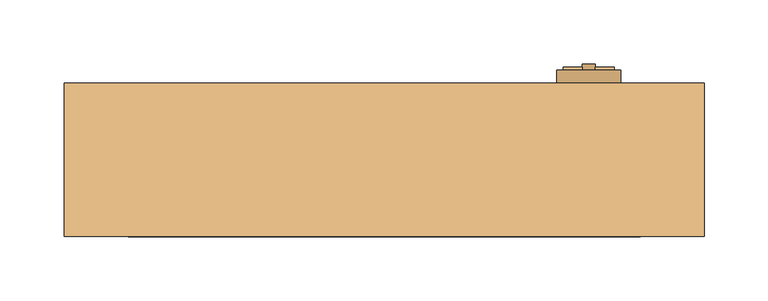
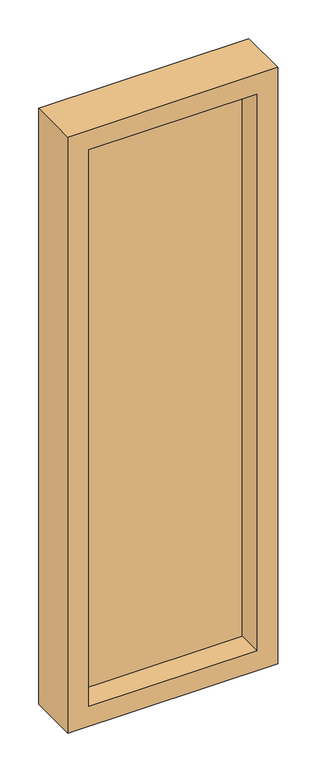
"""IFC4 building model written with IfcOpenShell, lengths in millimetres: door geometry."""

import ifcopenshell
import ifcopenshell.guid

model = None  # the IFC model being written
_history = None  # IfcOwnerHistory: only IFC2X3 demands one
_inside = {}  # id of a spatial element -> (the spatial element, [elements in it])
_under = {}  # id of a project, library or spatial element -> (it, [spatial elements below it])
_declared = {}  # id of a project -> (the project, [libraries it declares])
_typed = {}  # id of a type object -> (the type object, [elements of that type])
_made_of = {}  # id of a material, layer set ... -> (it, [elements and type objects made of it])


def new_model(schema):
    """Start an empty IFC model of exactly this schema.

    Asked for "IFC4X3", IfcOpenShell would pick the latest addendum, in which some entities
    have other attributes; the version numbers below select the first issue.
    IFC2X3 requires an IfcOwnerHistory on every rooted entity: one is made here for all.
    """
    global model, _history
    if schema == "IFC4X3":
        model = ifcopenshell.file(schema_version=(4, 3, 0, 0))
    else:
        model = ifcopenshell.file(schema=schema)
    _inside.clear()
    _under.clear()
    _declared.clear()
    _typed.clear()
    _made_of.clear()
    _history = None
    if model.schema == "IFC2X3":
        org = make("IfcOrganization", Name="unknown")
        user = make(
            "IfcPersonAndOrganization",
            ThePerson=make("IfcPerson", FamilyName="unknown"),
            TheOrganization=org,
        )
        app = make(
            "IfcApplication",
            ApplicationDeveloper=org,
            Version="unknown",
            ApplicationFullName="unknown",
            ApplicationIdentifier="unknown",
        )
        _history = make(
            "IfcOwnerHistory",
            OwningUser=user,
            OwningApplication=app,
            ChangeAction="ADDED",
            CreationDate=0,
        )
    return model


def make(cls, **values):
    """One entity of the class cls with the attributes given. An attribute that is None is left unset."""
    return model.create_entity(
        cls, **{name: value for name, value in values.items() if value is not None}
    )


def rooted(cls, **values):
    """An entity with a GlobalId (a new one), such as an element, a storey or a relation."""
    return make(cls, GlobalId=ifcopenshell.guid.new(), OwnerHistory=_history, **values)


def si_unit(unit_type, name, prefix=None):
    """IfcSIUnit, for example si_unit("LENGTHUNIT", "METRE", prefix="MILLI")."""
    return make("IfcSIUnit", UnitType=unit_type, Prefix=prefix, Name=name)


def assignment(units):
    """IfcUnitAssignment: the units of a project."""
    return None if units is None else make("IfcUnitAssignment", Units=units)


def point(xyz):
    """IfcCartesianPoint."""
    return None if xyz is None else make("IfcCartesianPoint", Coordinates=xyz)


def direction(xyz):
    """IfcDirection."""
    return None if xyz is None else make("IfcDirection", DirectionRatios=xyz)


def frame(location, z_axis=None, x_axis=None):
    """IfcAxis2Placement3D, a coordinate frame: its origin and axes. An axis left out is left unset."""
    return make(
        "IfcAxis2Placement3D",
        Location=point(location),
        Axis=direction(z_axis),
        RefDirection=direction(x_axis),
    )


def frame_2d(location, x_axis=None):
    """IfcAxis2Placement2D, a coordinate frame in the plane: its origin and x axis."""
    return make(
        "IfcAxis2Placement2D", Location=point(location), RefDirection=direction(x_axis)
    )


def origin():
    """The frame at (0, 0, 0) with its axes left unset."""
    return frame((0.0, 0.0, 0.0))


def place(relative_to, where):
    """IfcLocalPlacement: puts the frame where relative to a parent placement (None: the world)."""
    return make(
        "IfcLocalPlacement", PlacementRelTo=relative_to, RelativePlacement=where
    )


def context(
    kind, dimensions, precision=None, world=None, true_north=None, identifier=None
):
    """IfcGeometricRepresentationContext, for example the 3D "Model" context."""
    return make(
        "IfcGeometricRepresentationContext",
        ContextIdentifier=identifier,
        ContextType=kind,
        CoordinateSpaceDimension=dimensions,
        Precision=precision,
        WorldCoordinateSystem=world,
        TrueNorth=true_north,
    )


def project(units=None, contexts=None):
    """IfcProject with its units and contexts."""
    return rooted(
        "IfcProject",
        Name="project",
        RepresentationContexts=contexts,
        UnitsInContext=assignment(units),
    )


def spatial(cls, under=None, at=None, **own):
    """A site, building, storey or space (cls), placed at a placement, below another one or the project."""
    s = rooted(cls, ObjectPlacement=at, **own)
    if under is not None:
        _under.setdefault(under.id(), (under, []))[1].append(s)
    return s


def polyline(points):
    """IfcPolyline through the points."""
    return make("IfcPolyline", Points=[point(p) for p in points])


def circle_curve(where, radius):
    """IfcCircle in the frame where."""
    return make("IfcCircle", Position=where, Radius=radius)


def trimmed(basis, trim1, trim2, sense, master):
    """IfcTrimmedCurve: the piece of a basis curve between two trims."""
    return make(
        "IfcTrimmedCurve",
        BasisCurve=basis,
        Trim1=trim1,
        Trim2=trim2,
        SenseAgreement=sense,
        MasterRepresentation=master,
    )


def segment(curve, same_sense, transition):
    """IfcCompositeCurveSegment."""
    return make(
        "IfcCompositeCurveSegment",
        Transition=transition,
        SameSense=same_sense,
        ParentCurve=curve,
    )


def composite_curve(segments, self_intersect=None):
    """IfcCompositeCurve: segments joined end to end."""
    return make("IfcCompositeCurve", Segments=segments, SelfIntersect=self_intersect)


def outline(outer, holes=None, kind="AREA"):
    """IfcArbitraryClosedProfileDef: a profile drawn as a closed curve; with holes, ...WithVoids."""
    if holes is None:
        return make("IfcArbitraryClosedProfileDef", ProfileType=kind, OuterCurve=outer)
    return make(
        "IfcArbitraryProfileDefWithVoids",
        ProfileType=kind,
        OuterCurve=outer,
        InnerCurves=holes,
    )


def extrude(swept, where, along, depth):
    """IfcExtrudedAreaSolid: the profile swept, set in the frame where, extruded along a direction by depth."""
    return make(
        "IfcExtrudedAreaSolid",
        SweptArea=swept,
        Position=where,
        ExtrudedDirection=direction(along),
        Depth=depth,
    )


def faces_of(points, faces, orient=None, outer=None):
    """IfcFace entities. A face is a list of loops; a loop is a list of indices into points, from 0.

    orient and outer hold one flag for each loop. By default every Orientation is true, the
    first loop of a face is its IfcFaceOuterBound and the others are IfcFaceBound.
    """
    made = []
    for i, loops in enumerate(faces):
        bounds = []
        for j, loop in enumerate(loops):
            is_outer = j == 0 if outer is None else outer[i][j]
            bounds.append(
                make(
                    "IfcFaceOuterBound" if is_outer else "IfcFaceBound",
                    Bound=make("IfcPolyLoop", Polygon=[points[k] for k in loop]),
                    Orientation=True if orient is None else orient[i][j],
                )
            )
        made.append(make("IfcFace", Bounds=bounds))
    return made


def faceted_brep(points, faces, orient=None, outer=None, voids=None):
    """IfcFacetedBrep: a solid bounded by flat faces; with voids (closed shells), ...WithVoids."""
    shared = [point(p) for p in points]
    hull = make("IfcClosedShell", CfsFaces=faces_of(shared, faces, orient, outer))
    if voids is None:
        return make("IfcFacetedBrep", Outer=hull)
    return make(
        "IfcFacetedBrepWithVoids",
        Outer=hull,
        Voids=[
            make(cls, CfsFaces=faces_of(shared, fs, o, b)) for cls, fs, o, b in voids
        ],
    )


def shape(context_of_items, identifier, shape_type, items):
    """IfcShapeRepresentation: the items that make up one representation, for example the "Body"."""
    return make(
        "IfcShapeRepresentation",
        ContextOfItems=context_of_items,
        RepresentationIdentifier=identifier,
        RepresentationType=shape_type,
        Items=items,
    )


def source(mapping_origin, context_of_items, identifier, shape_type, items):
    """IfcRepresentationMap: a shape defined once, which mapped items show again and again."""
    return make(
        "IfcRepresentationMap",
        MappingOrigin=mapping_origin,
        MappedRepresentation=shape(context_of_items, identifier, shape_type, items),
    )


def transform(
    local_origin,
    x_axis=None,
    y_axis=None,
    z_axis=None,
    scale=None,
    scale2=None,
    scale3=None,
    uniform=True,
):
    """IfcCartesianTransformationOperator3D, or its non-uniform kind. x_axis, y_axis, z_axis: its Axis1, 2, 3."""
    if uniform:
        return make(
            "IfcCartesianTransformationOperator3D",
            Axis1=direction(x_axis),
            Axis2=direction(y_axis),
            LocalOrigin=point(local_origin),
            Scale=scale,
            Axis3=direction(z_axis),
        )
    return make(
        "IfcCartesianTransformationOperator3DnonUniform",
        Axis1=direction(x_axis),
        Axis2=direction(y_axis),
        LocalOrigin=point(local_origin),
        Scale=scale,
        Axis3=direction(z_axis),
        Scale2=scale2,
        Scale3=scale3,
    )


def mapped(mapping_source, mapping_target):
    """IfcMappedItem: shows the shape of a source again, moved by a transform."""
    return make(
        "IfcMappedItem", MappingSource=mapping_source, MappingTarget=mapping_target
    )


def made_of(thing, what):
    """Note that an element or type object is made of a material, layer set ...; save() writes the relation."""
    if what is not None:
        _made_of.setdefault(what.id(), (what, []))[1].append(thing)
    return thing


def element(
    cls,
    number,
    at=None,
    inside=None,
    cuts=None,
    type_object=None,
    material=None,
    context=None,
    identifier="Body",
    shape_type=None,
    held_by="IfcProductDefinitionShape",
    body=None,
    shapes=None,
    **own,
):
    """One element of the class cls, such as IfcWall. Its Tag is "e" and its number.

    at: its placement. inside: the storey or other place that contains it. cuts: it is an
    opening in that element (IfcRelVoidsElement). A single representation is given by context,
    identifier, shape_type and body (its items); several are given by shapes. held_by: the class
    of the entity that holds the representations. save() writes the other relations.
    """
    e = rooted(cls, Tag="e%d" % number, ObjectPlacement=at, **own)
    if body is not None:
        shapes = [shape(context, identifier, shape_type, body)]
    if shapes is not None:
        e.Representation = make(held_by, Representations=shapes)
    if inside is not None:
        _inside.setdefault(inside.id(), (inside, []))[1].append(e)
    if cuts is not None:
        rooted(
            "IfcRelVoidsElement", RelatingBuildingElement=cuts, RelatedOpeningElement=e
        )
    if type_object is not None:
        _typed.setdefault(type_object.id(), (type_object, []))[1].append(e)
    return made_of(e, material)


def aggregate(whole, parts):
    """IfcRelAggregates: a whole, such as a stair, and the parts it consists of."""
    return rooted("IfcRelAggregates", RelatingObject=whole, RelatedObjects=parts)


def save(model, path):
    """Write the relations noted so far, then the file.

    IfcRelAggregates (storeys below a building ...), IfcRelContainedInSpatialStructure (elements
    in a storey), IfcRelDefinesByType, IfcRelAssociatesMaterial and IfcRelDeclares: one each for
    every whole, place, type object, material and project.
    """
    for whole, parts in _under.values():
        aggregate(whole, parts)
    for where, things in _inside.values():
        rooted(
            "IfcRelContainedInSpatialStructure",
            RelatedElements=things,
            RelatingStructure=where,
        )
    for kind, things in _typed.values():
        rooted("IfcRelDefinesByType", RelatedObjects=things, RelatingType=kind)
    for what, things in _made_of.values():
        rooted("IfcRelAssociatesMaterial", RelatedObjects=things, RelatingMaterial=what)
    for by, libraries in _declared.values():
        rooted("IfcRelDeclares", RelatingContext=by, RelatedDefinitions=libraries)
    model.write(path)


def door_07af7f71(model_context):
    return source(origin(), model_context, "Body", "SolidModel", [
        extrude(outline(composite_curve([segment(trimmed(circle_curve(frame_2d((1700.0, 160.0)), 5.0), [point((1700.0, 165.0))], [point((1700.0, 155.0))], False, "CARTESIAN"), True, "CONTINUOUS"), segment(trimmed(circle_curve(frame_2d((1700.0, 160.0)), 5.0), [point((1700.0, 155.0))], [point((1700.0, 165.0))], False, "CARTESIAN"), True, "CONTINUOUS")], self_intersect=False)), frame((0.0, 70.0, 0.0), z_axis=(0.0, 1.0, 0.0), x_axis=(0.0, 0.0, 1.0)), (0.0, 0.0, 1.0), 5.0),
        extrude(outline(composite_curve([segment(trimmed(circle_curve(frame_2d((1700.0, 160.0)), 20.0), [point((1701.25, 140.0391007))], [point((1701.25, 179.9608993))], False, "CARTESIAN"), True, "CONTINUOUS"), segment(polyline([(1701.25, 179.9608993), (1701.25, 140.0391007)]), True, "CONTINUOUS")], self_intersect=False), holes=[composite_curve([segment(polyline([(1698.75, 142.5446999), (1698.75, 177.4553001)]), True, "CONTINUOUS"), segment(trimmed(circle_curve(frame_2d((1700.0, 160.0)), 17.5), [point((1698.75, 177.4553001))], [point((1698.75, 142.5446999))], True, "CARTESIAN"), True, "CONTINUOUS")], self_intersect=False)]), frame((0.0, 70.0, 0.0), z_axis=(0.0, 1.0, 0.0), x_axis=(0.0, 0.0, 1.0)), (0.0, 0.0, 1.0), 2.5),
        extrude(outline(composite_curve([segment(trimmed(circle_curve(frame_2d((1700.0, 160.0)), 25.0), [point((1700.0, 185.0))], [point((1700.0, 135.0))], False, "CARTESIAN"), True, "CONTINUOUS"), segment(trimmed(circle_curve(frame_2d((1700.0, 160.0)), 25.0), [point((1700.0, 135.0))], [point((1700.0, 185.0))], False, "CARTESIAN"), True, "CONTINUOUS")], self_intersect=False)), frame((0.0, 60.0, 0.0), z_axis=(0.0, 1.0, 0.0), x_axis=(0.0, 0.0, 1.0)), (0.0, 0.0, 1.0), 10.0),
        extrude(outline(polyline([(210.0, 60.0), (210.0, 0.0), (-210.0, 0.0), (-210.0, 60.0), (210.0, 60.0)])), frame((0.0, 0.0, 540.0), z_axis=(0.0, 0.0, 1.0), x_axis=(1.0, 0.0, 0.0)), (0.0, 0.0, 1.0), 1420.0),
        faceted_brep([(-200.0, 0.0, 1950.0), (-200.0, -60.0, 1950.0), (-200.0, -60.0, 550.0), (-200.0, 0.0, 550.0), (-210.0, 60.0, 1960.0), (-210.0, 0.0, 1960.0), (-210.0, 0.0, 540.0), (-210.0, 60.0, 540.0), (-250.0, -60.0, 2000.0), (-250.0, 60.0, 2000.0), (-250.0, 60.0, 500.0), (-250.0, -60.0, 500.0), (200.0, -60.0, 550.0), (200.0, 0.0, 550.0), (210.0, 0.0, 540.0), (210.0, 60.0, 540.0), (250.0, 60.0, 500.0), (250.0, -60.0, 500.0), (200.0, -60.0, 1950.0), (200.0, 0.0, 1950.0), (210.0, 0.0, 1960.0), (210.0, 60.0, 1960.0), (250.0, 60.0, 2000.0), (250.0, -60.0, 2000.0)], [[[0, 1, 2, 3]], [[4, 5, 6, 7]], [[8, 9, 10, 11]], [[3, 2, 12, 13]], [[7, 6, 14, 15]], [[11, 10, 16, 17]], [[13, 12, 18, 19]], [[15, 14, 20, 21]], [[17, 16, 22, 23]], [[11, 17, 23, 8], [1, 18, 12, 2]], [[19, 18, 1, 0]], [[5, 20, 14, 6], [3, 13, 19, 0]], [[21, 20, 5, 4]], [[9, 22, 16, 10], [7, 15, 21, 4]], [[23, 22, 9, 8]]]),
    ])


if __name__ == "__main__":
    model = new_model("IFC4")
    model_context = context("Model", 3, world=origin())
    ifc_project = project(units=[si_unit("LENGTHUNIT", "METRE", prefix="MILLI")], contexts=[model_context])
    site = spatial("IfcSite", under=ifc_project)
    building = spatial("IfcBuilding", under=site)
    placement = place(None, origin())
    door_shape = door_07af7f71(model_context)
    element("IfcDoor", 1, at=placement, inside=building, context=model_context, shape_type="MappedRepresentation", body=[
        mapped(door_shape, transform((0.0, 0.0, 0.0), x_axis=(1.0, 0.0, 0.0), y_axis=(0.0, 1.0, 0.0), z_axis=(0.0, 0.0, 1.0))),
    ])
    save(model, "model.ifc")
